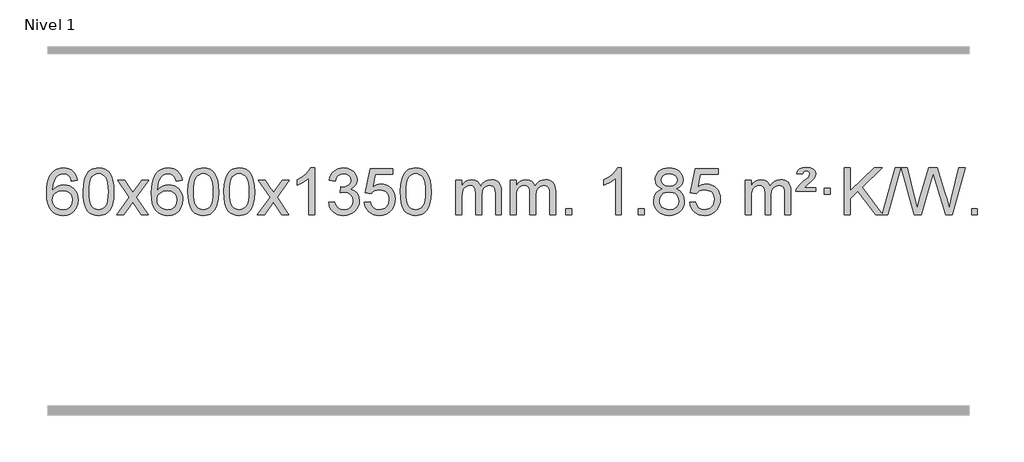
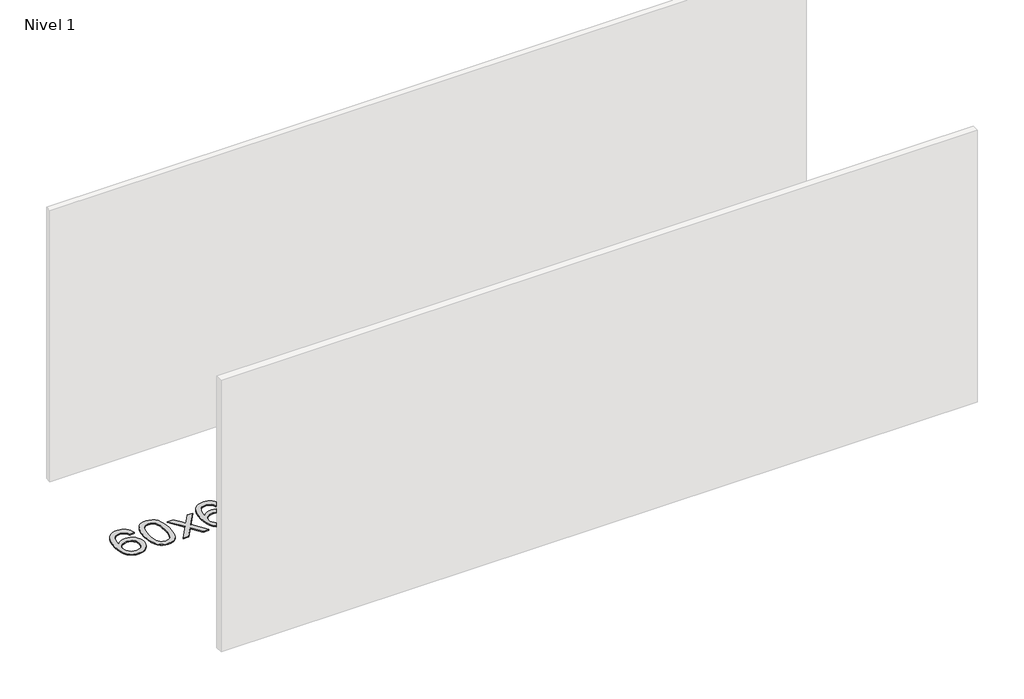
# One storey, part 6 of 9: 1 proxy.
"""IFC4 building model written with IfcOpenShell, lengths in millimetres."""

from ifc_helpers import new_model, si_unit, origin, origin_with_axes, place, context, project, spatial, polyline, outline, extrude, element, save

model = new_model("IFC4")

# Units and contexts
model_context = context("Model", 3, world=origin())
ifc_project = project(units=[si_unit("LENGTHUNIT", "METRE", prefix="MILLI")], contexts=[model_context])

# Site, building, storey
site = spatial("IfcSite", under=ifc_project)
building = spatial("IfcBuilding", under=site)
storey = spatial("IfcBuildingStorey", under=building, Name="Nivel 1", Elevation=0.0)

# Proxy
placement = place(None, origin())
element("IfcBuildingElementProxy", 1, Name="Texto de modelo 1", ObjectType="Texto de modelo 1", at=placement, inside=storey, context=model_context, shape_type="SweptSolid", body=[
    extrude(outline(polyline([(-12777.231908, -96.4890419), (-12827.4600631, -102.7675613), (-12835.553467, -77.874213), (-12846.491825, -60.8780648), (-12869.2759832, -45.2062918), (-12896.8180819, -39.9823675), (-12920.1663259, -43.0235253), (-12942.1411437, -52.1469988), (-12961.0134901, -71.3627017), (-12976.4277457, -97.8134171), (-12986.8388061, -135.227016), (-12990.7015671, -187.3313693), (-12970.5538965, -163.8237098), (-12946.4085749, -147.2567573), (-12919.6145029, -137.434308), (-12891.5205812, -134.1601582), (-12867.3875223, -136.398107), (-12845.1183989, -143.1119534), (-12824.7132109, -154.3016975), (-12806.1719583, -169.9673391), (-12790.7638341, -189.1769106), (-12779.758031, -210.9984443), (-12773.1545492, -235.4319401), (-12770.9533886, -262.4773982), (-12775.0981924, -298.4439945), (-12787.5326039, -331.786366), (-12807.2265533, -360.0642287), (-12833.1499713, -380.8372987), (-12864.1256353, -393.602804), (-12898.9763229, -397.8579724), (-12928.9188517, -395.0375437), (-12955.961244, -386.5762579), (-12980.1034999, -372.4741147), (-13001.3456195, -352.7311143), (-13018.6636644, -326.5133908), (-13031.0336965, -292.9870783), (-13038.4557157, -252.1521768), (-13040.9297222, -204.0086864), (-13038.1828699, -150.0342663), (-13029.9423132, -103.9693092), (-13016.2080521, -65.8138149), (-12996.9800865, -35.5677835), (-12976.1395714, -15.5243462), (-12951.9758557, -1.2076052), (-12924.4889393, 7.3824394), (-12893.6788222, 10.2457876), (-12870.5451761, 8.4738227), (-12849.6065592, 3.1579278), (-12830.8629715, -5.7018969), (-12814.3144131, -18.1056515), (-12800.4084737, -33.6364031), (-12789.592743, -51.8772186), (-12781.8672211, -72.8280983), (-12777.231908, -96.4890419)]), holes=[polyline([(-12990.7015671, -261.6925832), (-12987.7952993, -283.9494439), (-12979.076496, -305.2007605), (-12965.5384386, -323.472233), (-12948.1744084, -336.7895612), (-12927.2173974, -344.9197533), (-12902.9003976, -347.6298173), (-12869.7542298, -342.0134855), (-12855.8390933, -334.9930708), (-12843.6959218, -325.1644901), (-12833.8458814, -312.9262824), (-12826.8101382, -298.6769865), (-12821.1815437, -264.1451299), (-12826.7365618, -230.9989621), (-12833.6803345, -217.3781312), (-12843.4016162, -205.725469), (-12855.5815759, -196.3904634), (-12869.9013826, -189.7226022), (-12904.9605367, -184.3883133), (-12938.0576536, -189.7226022), (-12965.7346423, -205.725469), (-12976.6576719, -217.2248471), (-12984.4598359, -230.3858254), (-12989.1411343, -245.2084042), (-12990.7015671, -261.6925832)])]), origin_with_axes(), (0.0, 0.0, 1.0), 10.0),
    extrude(outline(polyline([(-12727.0037529, -193.9041943), (-12723.3126702, -129.5861588), (-12712.2394222, -78.2911459), (-12693.8943734, -39.2343407), (-12682.0363104, -24.0009605), (-12668.3878884, -11.6309284), (-12652.9031221, -2.0598651), (-12635.5360262, 4.7766086), (-12595.1548459, 10.2457876), (-12564.2037073, 7.008426), (-12536.4899304, -2.7036586), (-12513.3133647, -18.5103217), (-12495.97386, -40.0314184), (-12482.8772609, -67.0830078), (-12472.4294123, -99.4811488), (-12465.5868072, -140.6226186), (-12463.3059388, -193.9041943), (-12466.9602333, -257.8543477), (-12477.9231167, -309.0267333), (-12496.157801, -348.1203266), (-12507.9882728, -363.3996922), (-12521.6274978, -375.8341036), (-12537.1306582, -385.4695462), (-12554.5529363, -392.3520052), (-12595.1548459, -397.8579724), (-12622.8195719, -395.4667394), (-12647.3450382, -388.2930405), (-12668.7312449, -376.3368757), (-12686.9781919, -359.5982449), (-12704.4893748, -329.3399508), (-12716.9973627, -291.6381776), (-12724.5021554, -246.4929255), (-12727.0037529, -193.9041943)]), holes=[polyline([(-12676.7755979, -193.8060924), (-12675.3040699, -237.4706195), (-12670.8894859, -272.8148822), (-12663.531846, -299.8388804), (-12653.2311502, -318.5426142), (-12640.7722133, -331.2682656), (-12626.9398502, -340.3580165), (-12611.7340611, -345.8118671), (-12595.1548459, -347.6298173), (-12578.5756306, -345.8057357), (-12563.3698415, -340.3334911), (-12549.5374785, -331.2130833), (-12537.0785416, -318.4445124), (-12526.7778457, -299.7101217), (-12519.4202058, -272.6922549), (-12515.0056218, -237.3909118), (-12513.5340939, -193.8060924), (-12514.9565709, -151.2973278), (-12519.2240021, -116.5753989), (-12526.3363873, -89.6403055), (-12536.2937266, -70.4920476), (-12548.5441971, -57.1440625), (-12562.5359756, -47.6097875), (-12578.2690623, -41.8892225), (-12595.7434571, -39.9823675), (-12612.2368332, -41.6623619), (-12627.1851049, -46.7023452), (-12640.5882723, -55.1023175), (-12652.4463352, -66.8622786), (-12663.0903876, -87.708925), (-12670.6932822, -115.8151094), (-12675.2550189, -151.1808319), (-12676.7755979, -193.8060924)])]), origin_with_axes(), (0.0, 0.0, 1.0), 10.0),
    extrude(outline(polyline([(-12438.1918613, -391.579453), (-12330.8684205, -243.2494325), (-12431.9133419, -96.4890419), (-12371.4825928, -96.4890419), (-12322.7259657, -167.122385), (-12299.9663329, -200.4770192), (-12280.247858, -173.2047007), (-12224.7222022, -96.4890419), (-12164.2914531, -96.4890419), (-12270.4376715, -243.2494325), (-12168.2155277, -391.579453), (-12228.6462768, -391.579453), (-12290.1561464, -302.4048574), (-12301.4378609, -286.1199477), (-12377.7611122, -391.579453), (-12438.1918613, -391.579453)])), origin_with_axes(), (0.0, 0.0, 1.0), 10.0),
    extrude(outline(polyline([(-11879.403636, -96.4890419), (-11929.6317911, -102.7675613), (-11937.725195, -77.874213), (-11948.663553, -60.8780648), (-11971.4477112, -45.2062918), (-11998.9898099, -39.9823675), (-12022.3380539, -43.0235253), (-12044.3128718, -52.1469988), (-12063.1852181, -71.3627017), (-12078.5994737, -97.8134171), (-12089.0105342, -135.227016), (-12092.8732951, -187.3313693), (-12072.7256245, -163.8237098), (-12048.5803029, -147.2567573), (-12021.7862309, -137.434308), (-11993.6923092, -134.1601582), (-11969.5592503, -136.398107), (-11947.2901269, -143.1119534), (-11926.8849389, -154.3016975), (-11908.3436863, -169.9673391), (-11892.9355621, -189.1769106), (-11881.9297591, -210.9984443), (-11875.3262773, -235.4319401), (-11873.1251167, -262.4773982), (-11877.2699205, -298.4439945), (-11889.7043319, -331.786366), (-11909.3982814, -360.0642287), (-11935.3216993, -380.8372987), (-11966.2973633, -393.602804), (-12001.148051, -397.8579724), (-12031.0905797, -395.0375437), (-12058.132972, -386.5762579), (-12082.275228, -372.4741147), (-12103.5173475, -352.7311143), (-12120.8353924, -326.5133908), (-12133.2054245, -292.9870783), (-12140.6274438, -252.1521768), (-12143.1014502, -204.0086864), (-12140.354598, -150.0342663), (-12132.1140413, -103.9693092), (-12118.3797801, -65.8138149), (-12099.1518145, -35.5677835), (-12078.3112995, -15.5243462), (-12054.1475838, -1.2076052), (-12026.6606673, 7.3824394), (-11995.8505503, 10.2457876), (-11972.7169041, 8.4738227), (-11951.7782872, 3.1579278), (-11933.0346996, -5.7018969), (-11916.4861412, -18.1056515), (-11902.5802017, -33.6364031), (-11891.7644711, -51.8772186), (-11884.0389492, -72.8280983), (-11879.403636, -96.4890419)]), holes=[polyline([(-12092.8732951, -261.6925832), (-12089.9670274, -283.9494439), (-12081.2482241, -305.2007605), (-12067.7101666, -323.472233), (-12050.3461365, -336.7895612), (-12029.3891255, -344.9197533), (-12005.0721256, -347.6298173), (-11971.9259578, -342.0134855), (-11958.0108214, -334.9930708), (-11945.8676498, -325.1644901), (-11936.0176094, -312.9262824), (-11928.9818663, -298.6769865), (-11923.3532717, -264.1451299), (-11928.9082899, -230.9989621), (-11935.8520625, -217.3781312), (-11945.5733442, -205.725469), (-11957.753304, -196.3904634), (-11972.0731106, -189.7226022), (-12007.1322648, -184.3883133), (-12040.2293816, -189.7226022), (-12067.9063704, -205.725469), (-12078.8293999, -217.2248471), (-12086.6315639, -230.3858254), (-12091.3128623, -245.2084042), (-12092.8732951, -261.6925832)])]), origin_with_axes(), (0.0, 0.0, 1.0), 10.0),
    extrude(outline(polyline([(-11829.175481, -193.9041943), (-11825.4843983, -129.5861588), (-11814.4111502, -78.2911459), (-11796.0661014, -39.2343407), (-11784.2080384, -24.0009605), (-11770.5596164, -11.6309284), (-11755.0748501, -2.0598651), (-11737.7077542, 4.7766086), (-11697.3265739, 10.2457876), (-11666.3754354, 7.008426), (-11638.6616584, -2.7036586), (-11615.4850927, -18.5103217), (-11598.145588, -40.0314184), (-11585.048989, -67.0830078), (-11574.6011403, -99.4811488), (-11567.7585352, -140.6226186), (-11565.4776668, -193.9041943), (-11569.1319613, -257.8543477), (-11580.0948448, -309.0267333), (-11598.329529, -348.1203266), (-11610.1600008, -363.3996922), (-11623.7992258, -375.8341036), (-11639.3023862, -385.4695462), (-11656.7246644, -392.3520052), (-11697.3265739, -397.8579724), (-11724.9912999, -395.4667394), (-11749.5167663, -388.2930405), (-11770.9029729, -376.3368757), (-11789.1499199, -359.5982449), (-11806.6611029, -329.3399508), (-11819.1690907, -291.6381776), (-11826.6738834, -246.4929255), (-11829.175481, -193.9041943)]), holes=[polyline([(-11778.9473259, -193.8060924), (-11777.4757979, -237.4706195), (-11773.061214, -272.8148822), (-11765.7035741, -299.8388804), (-11755.4028782, -318.5426142), (-11742.9439413, -331.2682656), (-11729.1115783, -340.3580165), (-11713.9057891, -345.8118671), (-11697.3265739, -347.6298173), (-11680.7473587, -345.8057357), (-11665.5415695, -340.3334911), (-11651.7092065, -331.2130833), (-11639.2502696, -318.4445124), (-11628.9495737, -299.7101217), (-11621.5919338, -272.6922549), (-11617.1773499, -237.3909118), (-11615.7058219, -193.8060924), (-11617.128299, -151.2973278), (-11621.3957301, -116.5753989), (-11628.5081153, -89.6403055), (-11638.4654547, -70.4920476), (-11650.7159251, -57.1440625), (-11664.7077037, -47.6097875), (-11680.4407903, -41.8892225), (-11697.9151851, -39.9823675), (-11714.4085612, -41.6623619), (-11729.3568329, -46.7023452), (-11742.7600003, -55.1023175), (-11754.6180633, -66.8622786), (-11765.2621157, -87.708925), (-11772.8650102, -115.8151094), (-11777.426747, -151.1808319), (-11778.9473259, -193.8060924)])]), origin_with_axes(), (0.0, 0.0, 1.0), 10.0),
    extrude(outline(polyline([(-11521.5280311, -193.9041943), (-11517.8369485, -129.5861588), (-11506.7637004, -78.2911459), (-11488.4186516, -39.2343407), (-11476.5605886, -24.0009605), (-11462.9121666, -11.6309284), (-11447.4274003, -2.0598651), (-11430.0603044, 4.7766086), (-11389.6791241, 10.2457876), (-11358.7279855, 7.008426), (-11331.0142086, -2.7036586), (-11307.8376429, -18.5103217), (-11290.4981382, -40.0314184), (-11277.4015391, -67.0830078), (-11266.9536905, -99.4811488), (-11260.1110854, -140.6226186), (-11257.830217, -193.9041943), (-11261.4845115, -257.8543477), (-11272.4473949, -309.0267333), (-11290.6820792, -348.1203266), (-11302.512551, -363.3996922), (-11316.151776, -375.8341036), (-11331.6549364, -385.4695462), (-11349.0772145, -392.3520052), (-11389.6791241, -397.8579724), (-11417.3438501, -395.4667394), (-11441.8693164, -388.2930405), (-11463.2555231, -376.3368757), (-11481.5024701, -359.5982449), (-11499.013653, -329.3399508), (-11511.5216409, -291.6381776), (-11519.0264336, -246.4929255), (-11521.5280311, -193.9041943)]), holes=[polyline([(-11471.2998761, -193.8060924), (-11469.8283481, -237.4706195), (-11465.4137641, -272.8148822), (-11458.0561242, -299.8388804), (-11447.7554284, -318.5426142), (-11435.2964915, -331.2682656), (-11421.4641285, -340.3580165), (-11406.2583393, -345.8118671), (-11389.6791241, -347.6298173), (-11373.0999088, -345.8057357), (-11357.8941197, -340.3334911), (-11344.0617567, -331.2130833), (-11331.6028198, -318.4445124), (-11321.3021239, -299.7101217), (-11313.944484, -272.6922549), (-11309.5299001, -237.3909118), (-11308.0583721, -193.8060924), (-11309.4808491, -151.2973278), (-11313.7482803, -116.5753989), (-11320.8606655, -89.6403055), (-11330.8180048, -70.4920476), (-11343.0684753, -57.1440625), (-11357.0602538, -47.6097875), (-11372.7933405, -41.8892225), (-11390.2677353, -39.9823675), (-11406.7611114, -41.6623619), (-11421.7093831, -46.7023452), (-11435.1125505, -55.1023175), (-11446.9706134, -66.8622786), (-11457.6146658, -87.708925), (-11465.2175604, -115.8151094), (-11469.7792972, -151.1808319), (-11471.2998761, -193.8060924)])]), origin_with_axes(), (0.0, 0.0, 1.0), 10.0),
    extrude(outline(polyline([(-11232.7161395, -391.579453), (-11125.3926987, -243.2494325), (-11226.4376201, -96.4890419), (-11166.006871, -96.4890419), (-11117.2502439, -167.122385), (-11094.4906111, -200.4770192), (-11074.7721362, -173.2047007), (-11019.2464804, -96.4890419), (-10958.8157313, -96.4890419), (-11064.9619497, -243.2494325), (-10962.7398059, -391.579453), (-11023.170555, -391.579453), (-11084.6804246, -302.4048574), (-11095.9621391, -286.1199477), (-11172.2853904, -391.579453), (-11232.7161395, -391.579453)])), origin_with_axes(), (0.0, 0.0, 1.0), 10.0),
    extrude(outline(polyline([(-10742.9916275, -391.579453), (-10793.2197826, -391.579453), (-10793.2197826, -78.4382987), (-10814.1890563, -95.3976587), (-10840.7991873, -112.3324932), (-10893.6760927, -137.6918254), (-10893.6760927, -90.2105225), (-10854.2268801, -68.7507395), (-10820.0506427, -43.219729), (-10793.109418, -16.0700378), (-10775.3652431, 10.2457876), (-10742.9916275, 10.2457876), (-10742.9916275, -391.579453)])), origin_with_axes(), (0.0, 0.0, 1.0), 10.0),
    extrude(outline(polyline([(-10623.6997592, -284.8446235), (-10573.4716041, -278.5661041), (-10562.2266778, -310.1303793), (-10545.7578271, -331.4430095), (-10523.2557118, -343.5831154), (-10493.9109913, -347.6298173), (-10459.4772365, -342.0625364), (-10445.2034151, -335.1034354), (-10432.891631, -325.3606939), (-10415.8954828, -300.4428201), (-10410.2301001, -270.2274455), (-10415.8464319, -241.5449126), (-10432.6954273, -218.2825078), (-10458.2019123, -202.8682522), (-10489.7907129, -197.730167), (-10525.0092826, -203.2238715), (-10519.4174763, -152.9957164), (-10511.3731233, -153.5843276), (-10481.2803761, -149.979084), (-10454.3759395, -139.1633534), (-10443.3026915, -130.9841103), (-10435.3932286, -120.8673555), (-10430.6475508, -108.8130888), (-10429.0656583, -94.8213102), (-10433.6519205, -73.1285352), (-10447.4107071, -55.5315131), (-10468.4045063, -43.8696539), (-10494.6958062, -39.9823675), (-10521.0361571, -43.9064421), (-10542.5695165, -55.6786659), (-10558.2903404, -75.299039), (-10567.1930847, -102.7675613), (-10617.4212398, -96.4890419), (-10611.4676828, -72.5092672), (-10602.6323836, -51.3867093), (-10590.915342, -33.1213683), (-10576.3165582, -17.713244), (-10559.2958846, -5.4811677), (-10540.3131736, 3.2560297), (-10519.3684253, 8.4983481), (-10496.4616398, 10.2457876), (-10464.8851019, 6.7999596), (-10435.8837379, -3.5375245), (-10411.431848, -19.8469596), (-10393.5037321, -41.2086408), (-10382.5040604, -65.8199463), (-10378.8375032, -91.8782543), (-10382.3201194, -116.1584659), (-10392.7679681, -138.1823347), (-10410.0338964, -156.9443165), (-10433.9707515, -171.4388671), (-10402.5291037, -184.1430586), (-10379.2299106, -205.77452), (-10364.8089364, -235.1560286), (-10360.001945, -271.1103623), (-10362.4054407, -296.5923218), (-10369.6159278, -320.0631931), (-10381.6334064, -341.5229762), (-10398.4578763, -360.971671), (-10418.9550348, -377.1094278), (-10441.990579, -388.636397), (-10467.5645091, -395.5525785), (-10495.6768249, -397.8579724), (-10521.085208, -395.8898037), (-10544.2372482, -389.9852977), (-10565.1329455, -380.1444543), (-10583.7723, -366.3672736), (-10599.4011534, -349.4630959), (-10611.2653477, -330.2412617), (-10619.364883, -308.7017708), (-10623.6997592, -284.8446235)])), origin_with_axes(), (0.0, 0.0, 1.0), 10.0),
    extrude(outline(polyline([(-10316.0523093, -284.8446235), (-10265.8241543, -278.5661041), (-10256.6025789, -308.7201649), (-10240.513873, -330.3148381), (-10217.6316129, -343.3010725), (-10188.029375, -347.6298173), (-10168.8995113, -346.1245668), (-10152.0259904, -341.6088153), (-10137.4088125, -334.0825628), (-10125.0479774, -323.5458094), (-10115.2193968, -310.519721), (-10108.1989821, -295.5254641), (-10102.5826503, -259.6324441), (-10107.8433628, -225.8363514), (-10114.4192535, -211.9181493), (-10123.6255004, -199.9865099), (-10135.4927604, -190.4154467), (-10150.0516904, -183.5789729), (-10187.2445601, -178.1097939), (-10211.6106109, -180.2925604), (-10231.3413486, -186.8408599), (-10247.0989607, -196.8717757), (-10259.5456349, -209.5023908), (-10309.77379, -203.2238715), (-10265.8241543, 3.9672682), (-10071.1900534, 3.9672682), (-10071.1900534, -46.2608869), (-10225.209982, -46.2608869), (-10246.6942905, -156.919791), (-10228.9685097, -144.2155994), (-10210.8135333, -135.1411769), (-10192.2293611, -129.6965234), (-10173.2159933, -127.8816388), (-10148.7549064, -130.1318504), (-10126.2865135, -136.882485), (-10105.8108148, -148.1335427), (-10087.3278102, -163.8850234), (-10072.0269849, -183.1743027), (-10061.097824, -205.038756), (-10054.5403274, -229.4783832), (-10052.3544952, -256.4931844), (-10054.3226639, -282.5147042), (-10060.2271699, -306.7213394), (-10070.0680133, -329.1130902), (-10083.845194, -349.6899565), (-10104.7163658, -370.7634634), (-10129.0701539, -385.8159684), (-10156.9065582, -394.8474714), (-10188.2255788, -397.8579724), (-10214.145931, -395.9235262), (-10237.5585543, -390.1201877), (-10258.4634487, -380.447957), (-10276.8606141, -366.9068338), (-10292.1675708, -350.1712688), (-10303.8018389, -330.915712), (-10311.7634184, -309.1401636), (-10316.0523093, -284.8446235)])), origin_with_axes(), (0.0, 0.0, 1.0), 10.0),
    extrude(outline(polyline([(-10008.4048595, -193.9041943), (-10004.7137768, -129.5861588), (-9993.6405288, -78.2911459), (-9975.2954799, -39.2343407), (-9963.437417, -24.0009605), (-9949.7889949, -11.6309284), (-9934.3042286, -2.0598651), (-9916.9371328, 4.7766086), (-9876.5559524, 10.2457876), (-9845.6048139, 7.008426), (-9817.8910369, -2.7036586), (-9794.7144712, -18.5103217), (-9777.3749665, -40.0314184), (-9764.2783675, -67.0830078), (-9753.8305188, -99.4811488), (-9746.9879137, -140.6226186), (-9744.7070454, -193.9041943), (-9748.3613399, -257.8543477), (-9759.3242233, -309.0267333), (-9777.5589075, -348.1203266), (-9789.3893794, -363.3996922), (-9803.0286043, -375.8341036), (-9818.5317647, -385.4695462), (-9835.9540429, -392.3520052), (-9876.5559524, -397.8579724), (-9904.2206785, -395.4667394), (-9928.7461448, -388.2930405), (-9950.1323515, -376.3368757), (-9968.3792984, -359.5982449), (-9985.8904814, -329.3399508), (-9998.3984692, -291.6381776), (-10005.9032619, -246.4929255), (-10008.4048595, -193.9041943)]), holes=[polyline([(-9958.1767044, -193.8060924), (-9956.7051765, -237.4706195), (-9952.2905925, -272.8148822), (-9944.9329526, -299.8388804), (-9934.6322567, -318.5426142), (-9922.1733198, -331.2682656), (-9908.3409568, -340.3580165), (-9893.1351677, -345.8118671), (-9876.5559524, -347.6298173), (-9859.9767372, -345.8057357), (-9844.7709481, -340.3334911), (-9830.938585, -331.2130833), (-9818.4796481, -318.4445124), (-9808.1789523, -299.7101217), (-9800.8213124, -272.6922549), (-9796.4067284, -237.3909118), (-9794.9352004, -193.8060924), (-9796.3576775, -151.2973278), (-9800.6251086, -116.5753989), (-9807.7374939, -89.6403055), (-9817.6948332, -70.4920476), (-9829.9453037, -57.1440625), (-9843.9370822, -47.6097875), (-9859.6701689, -41.8892225), (-9877.1445636, -39.9823675), (-9893.6379397, -41.6623619), (-9908.5862115, -46.7023452), (-9921.9893788, -55.1023175), (-9933.8474418, -66.8622786), (-9944.4914942, -87.708925), (-9952.0943888, -115.8151094), (-9956.6561255, -151.1808319), (-9958.1767044, -193.8060924)])]), origin_with_axes(), (0.0, 0.0, 1.0), 10.0),
    extrude(outline(polyline([(-9531.2373863, -391.579453), (-9531.2373863, -96.4890419), (-9481.0092312, -96.4890419), (-9481.0092312, -145.0494653), (-9465.901544, -122.7435537), (-9446.4773746, -105.2691589), (-9423.3989108, -93.9751816), (-9397.3283401, -90.2105225), (-9369.3938339, -94.048758), (-9347.0020831, -105.5634645), (-9330.2757151, -123.9943524), (-9319.3373571, -148.5811324), (-9301.0290965, -123.0439906), (-9280.1456619, -104.803175), (-9256.6870533, -93.8586857), (-9230.6532708, -90.2105225), (-9210.5454541, -91.7280358), (-9192.8963153, -96.2805755), (-9177.7058546, -103.8681416), (-9164.9740719, -114.4907342), (-9154.9094337, -128.2709806), (-9147.7204063, -145.3315082), (-9143.4069899, -165.6723168), (-9141.9691845, -189.2934066), (-9141.9691845, -391.579453), (-9192.1973395, -391.579453), (-9192.1973395, -210.875817), (-9193.3622992, -185.8230531), (-9196.8571782, -168.9372695), (-9203.4054777, -157.3735121), (-9213.730699, -148.2868268), (-9227.011239, -142.4007149), (-9242.4254946, -140.4386776), (-9269.6364995, -145.4663982), (-9291.8197838, -160.54956), (-9300.4251568, -172.1194488), (-9306.5718518, -186.7182326), (-9311.4892078, -225.0024856), (-9311.4892078, -391.579453), (-9361.7173629, -391.579453), (-9361.7173629, -205.2840106), (-9364.6236307, -176.8835206), (-9373.342434, -156.6254854), (-9388.6831132, -144.4853796), (-9411.4550087, -140.4386776), (-9430.8056016, -143.1364789), (-9448.6356156, -151.2298828), (-9463.3508955, -164.5226856), (-9473.3572857, -182.8186835), (-9479.0962448, -208.2025411), (-9481.0092312, -242.7589232), (-9481.0092312, -391.579453), (-9531.2373863, -391.579453)])), origin_with_axes(), (0.0, 0.0, 1.0), 10.0),
    extrude(outline(polyline([(-9066.6269519, -391.579453), (-9066.6269519, -96.4890419), (-9016.3987968, -96.4890419), (-9016.3987968, -145.0494653), (-9001.2911095, -122.7435537), (-8981.8669402, -105.2691589), (-8958.7884763, -93.9751816), (-8932.7179056, -90.2105225), (-8904.7833994, -94.048758), (-8882.3916487, -105.5634645), (-8865.6652806, -123.9943524), (-8854.7269226, -148.5811324), (-8836.418662, -123.0439906), (-8815.5352274, -104.803175), (-8792.0766189, -93.8586857), (-8766.0428363, -90.2105225), (-8745.9350196, -91.7280358), (-8728.2858809, -96.2805755), (-8713.0954202, -103.8681416), (-8700.3636375, -114.4907342), (-8690.2989992, -128.2709806), (-8683.1099719, -145.3315082), (-8678.7965555, -165.6723168), (-8677.35875, -189.2934066), (-8677.35875, -391.579453), (-8727.5869051, -391.579453), (-8727.5869051, -210.875817), (-8728.7518648, -185.8230531), (-8732.2467437, -168.9372695), (-8738.7950432, -157.3735121), (-8749.1202646, -148.2868268), (-8762.4008046, -142.4007149), (-8777.8150602, -140.4386776), (-8805.0260651, -145.4663982), (-8827.2093494, -160.54956), (-8835.8147224, -172.1194488), (-8841.9614174, -186.7182326), (-8846.8787734, -225.0024856), (-8846.8787734, -391.579453), (-8897.1069285, -391.579453), (-8897.1069285, -205.2840106), (-8900.0131962, -176.8835206), (-8908.7319995, -156.6254854), (-8924.0726787, -144.4853796), (-8946.8445742, -140.4386776), (-8966.1951672, -143.1364789), (-8984.0251812, -151.2298828), (-8998.740461, -164.5226856), (-9008.7468513, -182.8186835), (-9014.4858104, -208.2025411), (-9016.3987968, -242.7589232), (-9016.3987968, -391.579453), (-9066.6269519, -391.579453)])), origin_with_axes(), (0.0, 0.0, 1.0), 10.0),
    extrude(outline(polyline([(-8589.4594786, -391.579453), (-8589.4594786, -341.3512979), (-8539.2313236, -341.3512979), (-8539.2313236, -391.579453), (-8589.4594786, -391.579453)])), origin_with_axes(), (0.0, 0.0, 1.0), 10.0),
    extrude(outline(polyline([(-8112.2920054, -391.579453), (-8162.5201605, -391.579453), (-8162.5201605, -78.4382987), (-8183.4894342, -95.3976587), (-8210.0995652, -112.3324932), (-8262.9764707, -137.6918254), (-8262.9764707, -90.2105225), (-8223.527258, -68.7507395), (-8189.3510207, -43.219729), (-8162.4097959, -16.0700378), (-8144.665621, 10.2457876), (-8112.2920054, 10.2457876), (-8112.2920054, -391.579453)])), origin_with_axes(), (0.0, 0.0, 1.0), 10.0),
    extrude(outline(polyline([(-7967.8860596, -391.579453), (-7967.8860596, -341.3512979), (-7917.6579045, -341.3512979), (-7917.6579045, -391.579453), (-7967.8860596, -391.579453)])), origin_with_axes(), (0.0, 0.0, 1.0), 10.0),
    extrude(outline(polyline([(-7762.853161, -170.2616447), (-7789.7453348, -157.0178929), (-7808.6176812, -139.0652515), (-7819.7645056, -116.7716026), (-7823.4801138, -90.5048281), (-7821.4567628, -70.0199324), (-7815.3867099, -51.2395565), (-7805.269955, -34.1637006), (-7791.1064982, -18.7923645), (-7773.5769211, -6.088173), (-7753.3618055, 2.9862496), (-7730.4611513, 8.4309031), (-7704.8749585, 10.2457876), (-7679.1661384, 8.3879835), (-7656.093806, 2.8145713), (-7635.6579611, -6.4744491), (-7617.8586039, -19.4790776), (-7603.4376297, -35.1508506), (-7593.1369338, -52.4413044), (-7586.9565163, -71.3504389), (-7584.8963772, -91.8782543), (-7588.5629344, -117.2989001), (-7599.562606, -139.2124043), (-7618.0180195, -157.0546811), (-7644.051802, -170.2616447), (-7613.1374516, -186.1909351), (-7590.6353363, -209.6495436), (-7576.9133379, -239.5092989), (-7572.3393384, -274.6420295), (-7574.607944, -299.6947933), (-7581.4137609, -322.6628926), (-7592.7567891, -343.5463272), (-7608.6370286, -362.3450971), (-7628.2206134, -377.88198), (-7650.6736779, -388.9797536), (-7675.9962219, -395.6384177), (-7704.1882455, -397.8579724), (-7732.380269, -395.6292206), (-7757.702813, -388.9429654), (-7780.1558775, -377.7992066), (-7799.7394623, -362.1979443), (-7815.6197018, -343.26735), (-7826.96273, -322.135595), (-7833.7685469, -298.8026795), (-7836.0371525, -273.2686033), (-7831.2792121, -236.7747094), (-7817.0053906, -206.7555386), (-7793.9514523, -184.2411605), (-7762.853161, -170.2616447)]), holes=[polyline([(-7773.2519587, -91.9763561), (-7768.8005865, -113.902123), (-7755.4464701, -131.413306), (-7733.5820169, -142.8912243), (-7703.5996343, -146.717197), (-7674.3162274, -142.9157497), (-7652.782868, -131.5114079), (-7639.5391162, -114.5888361), (-7635.1245322, -94.232699), (-7639.686269, -73.1040098), (-7653.3714792, -55.629615), (-7675.1991442, -43.8941794), (-7704.1882455, -39.9823675), (-7733.3612877, -43.8083402), (-7755.1521645, -55.2862585), (-7768.7270101, -72.1107284), (-7773.2519587, -91.9763561)]), polyline([(-7785.8089975, -271.5027698), (-7783.7120701, -290.7184726), (-7777.421288, -309.3210389), (-7765.8084796, -325.5446349), (-7747.7454737, -337.623427), (-7726.1140124, -345.1282197), (-7703.795838, -347.6298173), (-7669.6073379, -342.3691048), (-7655.7136612, -335.7932141), (-7643.9537001, -326.5869672), (-7627.9140451, -302.6869002), (-7622.5674935, -273.0723996), (-7628.0857234, -242.9551269), (-7644.6404132, -218.5277625), (-7656.7192053, -209.0854579), (-7670.8826622, -202.3409547), (-7705.4635697, -196.9453521), (-7739.1738232, -202.2673783), (-7752.91115, -208.919911), (-7764.5699436, -218.2334569), (-7780.499234, -242.1948375), (-7785.8089975, -271.5027698)])]), origin_with_axes(), (0.0, 0.0, 1.0), 10.0),
    extrude(outline(polyline([(-7528.3897027, -284.8446235), (-7478.1615476, -278.5661041), (-7468.9399723, -308.7201649), (-7452.8512663, -330.3148381), (-7429.9690062, -343.3010725), (-7400.3667684, -347.6298173), (-7381.2369046, -346.1245668), (-7364.3633838, -341.6088153), (-7349.7462058, -334.0825628), (-7337.3853708, -323.5458094), (-7327.5567902, -310.519721), (-7320.5363754, -295.5254641), (-7314.9200436, -259.6324441), (-7320.1807562, -225.8363514), (-7326.7566468, -211.9181493), (-7335.9628937, -199.9865099), (-7347.8301538, -190.4154467), (-7362.3890837, -183.5789729), (-7399.5819534, -178.1097939), (-7423.9480043, -180.2925604), (-7443.6787419, -186.8408599), (-7459.4363541, -196.8717757), (-7471.8830282, -209.5023908), (-7522.1111833, -203.2238715), (-7478.1615476, 3.9672682), (-7283.5274467, 3.9672682), (-7283.5274467, -46.2608869), (-7437.5473753, -46.2608869), (-7459.0316839, -156.919791), (-7441.3059031, -144.2155994), (-7423.1509266, -135.1411769), (-7404.5667545, -129.6965234), (-7385.5533867, -127.8816388), (-7361.0922997, -130.1318504), (-7338.6239068, -136.882485), (-7318.1482081, -148.1335427), (-7299.6652036, -163.8850234), (-7284.3643782, -183.1743027), (-7273.4352173, -205.038756), (-7266.8777207, -229.4783832), (-7264.6918885, -256.4931844), (-7266.6600572, -282.5147042), (-7272.5645632, -306.7213394), (-7282.4054066, -329.1130902), (-7296.1825873, -349.6899565), (-7317.0537592, -370.7634634), (-7341.4075473, -385.8159684), (-7369.2439516, -394.8474714), (-7400.5629721, -397.8579724), (-7426.4833243, -395.9235262), (-7449.8959477, -390.1201877), (-7470.800842, -380.447957), (-7489.1980075, -366.9068338), (-7504.5049642, -350.1712688), (-7516.1392323, -330.915712), (-7524.1008118, -309.1401636), (-7528.3897027, -284.8446235)])), origin_with_axes(), (0.0, 0.0, 1.0), 10.0),
    extrude(outline(polyline([(-7051.2222295, -391.579453), (-7051.2222295, -96.4890419), (-7000.9940744, -96.4890419), (-7000.9940744, -145.0494653), (-6985.8863871, -122.7435537), (-6966.4622178, -105.2691589), (-6943.383754, -93.9751816), (-6917.3131832, -90.2105225), (-6889.3786771, -94.048758), (-6866.9869263, -105.5634645), (-6850.2605582, -123.9943524), (-6839.3222003, -148.5811324), (-6821.0139396, -123.0439906), (-6800.130505, -104.803175), (-6776.6718965, -93.8586857), (-6750.638114, -90.2105225), (-6730.5302972, -91.7280358), (-6712.8811585, -96.2805755), (-6697.6906978, -103.8681416), (-6684.9589151, -114.4907342), (-6674.8942768, -128.2709806), (-6667.7052495, -145.3315082), (-6663.3918331, -165.6723168), (-6661.9540277, -189.2934066), (-6661.9540277, -391.579453), (-6712.1821827, -391.579453), (-6712.1821827, -210.875817), (-6713.3471424, -185.8230531), (-6716.8420213, -168.9372695), (-6723.3903208, -157.3735121), (-6733.7155422, -148.2868268), (-6746.9960822, -142.4007149), (-6762.4103378, -140.4386776), (-6789.6213427, -145.4663982), (-6811.804627, -160.54956), (-6820.41, -172.1194488), (-6826.556695, -186.7182326), (-6831.474051, -225.0024856), (-6831.474051, -391.579453), (-6881.7022061, -391.579453), (-6881.7022061, -205.2840106), (-6884.6084739, -176.8835206), (-6893.3272772, -156.6254854), (-6908.6679564, -144.4853796), (-6931.4398519, -140.4386776), (-6950.7904448, -143.1364789), (-6968.6204588, -151.2298828), (-6983.3357386, -164.5226856), (-6993.3421289, -182.8186835), (-6999.081088, -208.2025411), (-7000.9940744, -242.7589232), (-7000.9940744, -391.579453), (-7051.2222295, -391.579453)])), origin_with_axes(), (0.0, 0.0, 1.0), 10.0),
    extrude(outline(polyline([(-6618.004392, -190.6668327), (-6614.1784192, -174.8479069), (-6605.8397607, -158.9799302), (-6584.3309267, -133.8413272), (-6552.374244, -106.1030247), (-6508.2284046, -68.726214), (-6501.0914939, -57.1992448), (-6498.7125237, -45.3779701), (-6500.6009846, -33.2869152), (-6506.2663673, -23.5012541), (-6515.6350954, -17.026531), (-6528.6335926, -14.8682899), (-6541.068004, -16.4869707), (-6549.9216974, -21.343013), (-6556.3473696, -30.8098431), (-6561.4977175, -46.2608869), (-6611.7258726, -39.9823675), (-6600.8856165, -14.7701881), (-6584.2573503, 2.7900458), (-6560.4921734, 13.0907417), (-6528.2411851, 16.524307), (-6492.4585297, 12.3917659), (-6467.7123342, -0.0058573), (-6453.29136, -18.3386434), (-6448.4843686, -40.2766731), (-6452.5801215, -63.1834586), (-6464.8673801, -84.8149199), (-6485.3951954, -104.6314968), (-6521.8645639, -132.6886303), (-6547.4691508, -159.2742358), (-6448.4843686, -159.2742358), (-6448.4843686, -190.6668327), (-6618.004392, -190.6668327)])), origin_with_axes(), (0.0, 0.0, 1.0), 10.0),
    extrude(outline(polyline([(-6373.142136, -215.7809102), (-6373.142136, -165.5527552), (-6322.9139809, -165.5527552), (-6322.9139809, -215.7809102), (-6373.142136, -215.7809102)])), origin_with_axes(), (0.0, 0.0, 1.0), 10.0),
    extrude(outline(polyline([(-5932.272353, -391.579453), (-6085.7036704, -188.9009991), (-6153.3939575, -253.4520265), (-6153.3939575, -391.579453), (-6203.6221126, -391.579453), (-6203.6221126, 10.2457876), (-6153.3939575, 10.2457876), (-6153.3939575, -186.4484525), (-5947.3800402, 10.2457876), (-5877.1391046, 10.2457876), (-6050.0926933, -154.9577537), (-5875.4390834, -385.5349332), (-5764.1257557, 10.2457876), (-5718.8026939, 10.2457876), (-5831.8160428, -391.579453), (-5870.8605852, -391.579453), (-5877.1391046, -391.579453), (-5932.272353, -391.579453)])), origin_with_axes(), (0.0, 0.0, 1.0), 10.0),
    extrude(outline(polyline([(-5604.317817, -391.579453), (-5713.8976006, 10.2457876), (-5662.0998157, 10.2457876), (-5598.5298069, -253.844434), (-5578.9094339, -335.3670841), (-5557.9156347, -263.2622131), (-5478.25692, 10.2457876), (-5403.6014004, 10.2457876), (-5345.7212998, -188.0180823), (-5320.9260534, -261.5944814), (-5302.6545809, -335.3670841), (-5283.6228191, -256.1988788), (-5219.4641991, 10.2457876), (-5167.6664142, 10.2457876), (-5277.3442997, -391.579453), (-5331.00602, -391.579453), (-5427.3420518, -81.5775584), (-5440.7820074, -38.3146358), (-5455.8896947, -90.4067263), (-5543.6908642, -391.579453), (-5604.317817, -391.579453)])), origin_with_axes(), (0.0, 0.0, 1.0), 10.0),
    extrude(outline(polyline([(-5111.1597397, -391.579453), (-5111.1597397, -341.3512979), (-5060.9315846, -341.3512979), (-5060.9315846, -391.579453), (-5111.1597397, -391.579453)])), origin_with_axes(), (0.0, 0.0, 1.0), 10.0),
])

save(model, "model.ifc")
